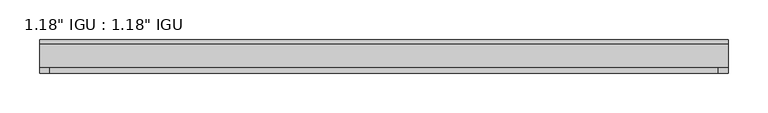
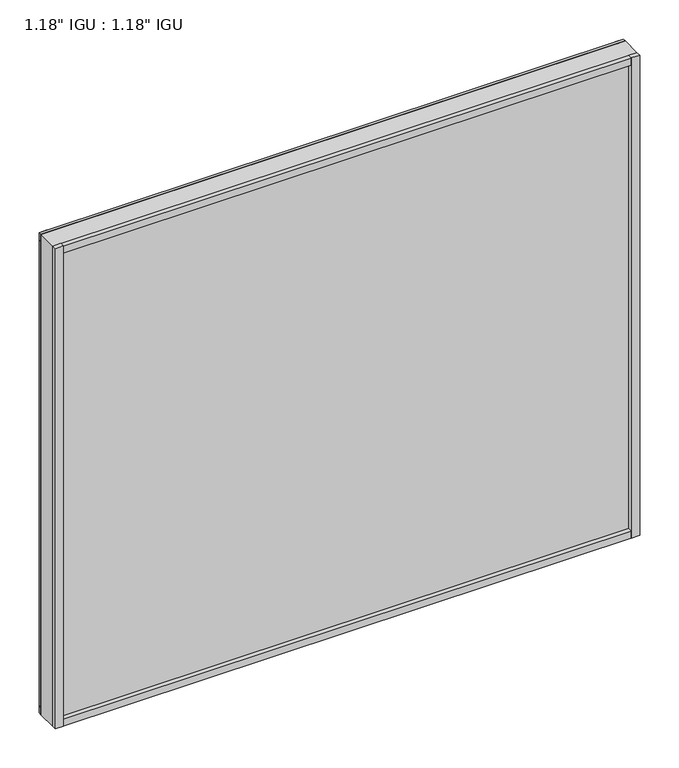
"""IFC4 building model written with IfcOpenShell, lengths in millimetres: plate geometry."""

from ifc_helpers import new_model, si_unit, frame, origin, origin_with_axes, place, context, project, spatial, polyline, outline, extrude, source, transform, mapped, element, save


def plate_f6793e06(model_context):
    return source(origin(), model_context, "Body", "SweptSolid", [
        extrude(outline(polyline([(431.8, -9.7647125), (431.8, -14.5399125), (-431.8, -14.5399125), (-431.8, -9.7647125), (431.8, -9.7647125)])), origin_with_axes(), (0.0, 0.0, 1.0), 11.1252),
        extrude(outline(polyline([(-431.8, -14.5399125), (-431.8, -9.7647125), (431.8, -9.7647125), (431.8, -14.5399125), (-431.8, -14.5399125)])), frame((0.0, 0.0, 739.3887476), z_axis=(0.0, 0.0, 1.0), x_axis=(1.0, 0.0, 0.0)), (0.0, 0.0, 1.0), 11.1252),
        extrude(outline(polyline([(431.8, -44.6643125), (431.8, -51.3953125), (419.6623204, -51.3953125), (419.6623204, -44.6643125), (431.8, -44.6643125)])), origin_with_axes(), (0.0, 0.0, 1.0), 750.5139476),
        extrude(outline(polyline([(431.8, -9.7765488), (431.8, -14.5399125), (419.7875762, -14.5399125), (419.7875762, -9.7765488), (431.8, -9.7765488)])), origin_with_axes(), (0.0, 0.0, 1.0), 750.5139476),
        extrude(outline(polyline([(-419.7794229, -51.3953125), (-431.8, -51.3953125), (-431.8, -44.6643125), (-419.7794229, -44.6643125), (-419.7794229, -51.3953125)])), origin_with_axes(), (0.0, 0.0, 1.0), 750.5139476),
        extrude(outline(polyline([(-419.7794229, -14.5399125), (-431.8, -14.5399125), (-431.8, -9.7647125), (-419.7794229, -9.7647125), (-419.7794229, -14.5399125)])), origin_with_axes(), (0.0, 0.0, 1.0), 750.5139476),
        extrude(outline(polyline([(431.8, -44.6643125), (431.8, -51.3953125), (-431.8, -51.3953125), (-431.8, -44.6643125), (431.8, -44.6643125)])), origin_with_axes(), (0.0, 0.0, 1.0), 11.1693096),
        extrude(outline(polyline([(431.8, -44.6643125), (431.8, -51.3953125), (-431.8, -51.3953125), (-431.8, -44.6643125), (431.8, -44.6643125)])), frame((0.0, 0.0, 739.3328418), z_axis=(0.0, 0.0, 1.0), x_axis=(1.0, 0.0, 0.0)), (0.0, 0.0, 1.0), 11.1811058),
        extrude(outline(polyline([(431.8, -44.6643125), (-431.8, -44.6643125), (-431.8, -14.5399125), (431.8, -14.5399125), (431.8, -44.6643125)])), origin_with_axes(), (0.0, 0.0, 1.0), 750.5139476),
    ])


if __name__ == "__main__":
    model = new_model("IFC4")
    model_context = context("Model", 3, world=origin())
    ifc_project = project(units=[si_unit("LENGTHUNIT", "METRE", prefix="MILLI")], contexts=[model_context])
    site = spatial("IfcSite", under=ifc_project)
    building = spatial("IfcBuilding", under=site)
    placement = place(None, origin())
    plate_shape = plate_f6793e06(model_context)
    element("IfcPlate", 1, ObjectType="1.18\" IGU : 1.18\" IGU", at=placement, inside=building, context=model_context, shape_type="MappedRepresentation", body=[
        mapped(plate_shape, transform((0.0, 0.0, 0.0), x_axis=(1.0, 0.0, 0.0), y_axis=(0.0, 1.0, 0.0), z_axis=(0.0, 0.0, 1.0))),
    ])
    save(model, "model.ifc")
